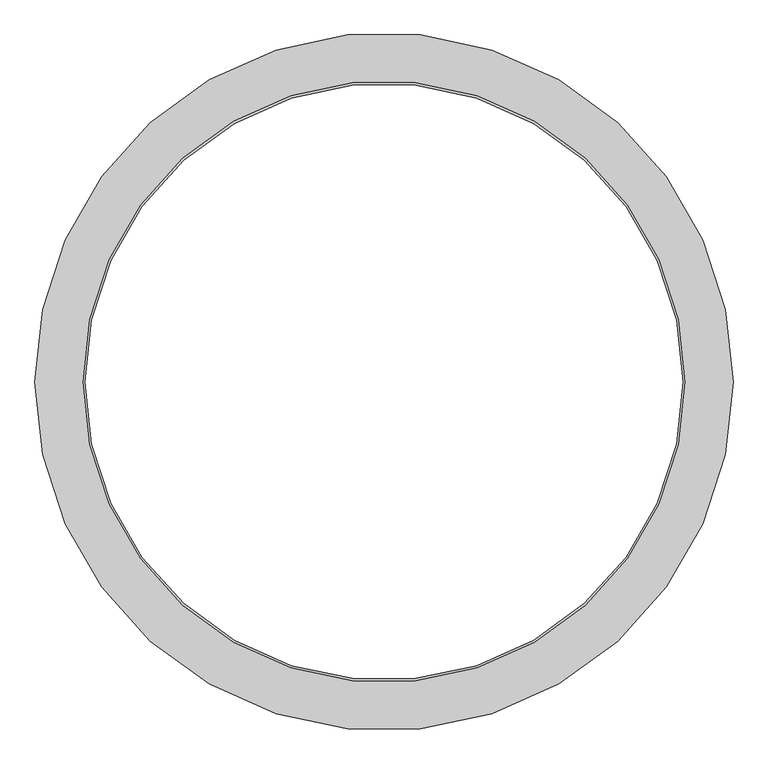
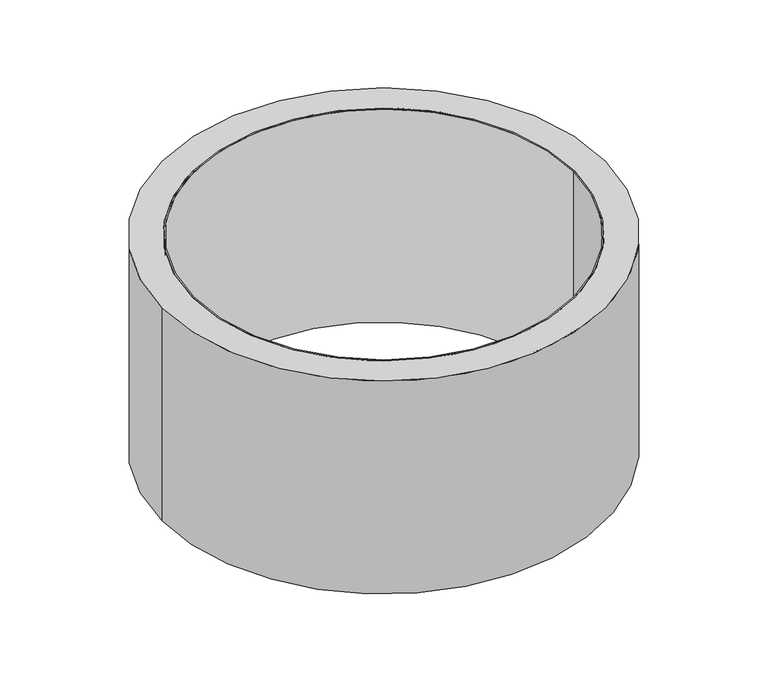
"""IFC4 building model written with IfcOpenShell, lengths in millimetres: proxy geometry."""

from ifc_helpers import new_model, si_unit, point, origin, origin_with_axes, origin_2d, place, context, project, spatial, circle_curve, trimmed, segment, composite_curve, outline, extrude, source, transform, mapped, element, save


def generic_models_36b41c2a(model_context):
    return source(origin(), model_context, "Body", "SweptSolid", [
        extrude(outline(composite_curve([segment(trimmed(circle_curve(origin_2d(), 500.0), [point((-500.0, 0.0))], [point((500.0, 0.0))], False, "CARTESIAN"), True, "CONTINUOUS"), segment(trimmed(circle_curve(origin_2d(), 500.0), [point((500.0, 0.0))], [point((-500.0, 0.0))], False, "CARTESIAN"), True, "CONTINUOUS")], self_intersect=False), holes=[composite_curve([segment(trimmed(circle_curve(origin_2d(), 496.0), [point((-496.0, 0.0))], [point((496.0, 0.0))], True, "CARTESIAN"), True, "CONTINUOUS"), segment(trimmed(circle_curve(origin_2d(), 496.0), [point((496.0, 0.0))], [point((-496.0, 0.0))], True, "CARTESIAN"), True, "CONTINUOUS")], self_intersect=False)]), origin_with_axes(), (0.0, 0.0, 1.0), 590.0),
        extrude(outline(composite_curve([segment(trimmed(circle_curve(origin_2d(), 580.0), [point((-580.0, 0.0))], [point((580.0, 0.0))], False, "CARTESIAN"), True, "CONTINUOUS"), segment(trimmed(circle_curve(origin_2d(), 580.0), [point((580.0, 0.0))], [point((-580.0, 0.0))], False, "CARTESIAN"), True, "CONTINUOUS")], self_intersect=False), holes=[composite_curve([segment(trimmed(circle_curve(origin_2d(), 500.0), [point((-500.0, 0.0))], [point((500.0, 0.0))], True, "CARTESIAN"), True, "CONTINUOUS"), segment(trimmed(circle_curve(origin_2d(), 500.0), [point((500.0, 0.0))], [point((-500.0, 0.0))], True, "CARTESIAN"), True, "CONTINUOUS")], self_intersect=False)]), origin_with_axes(), (0.0, 0.0, 1.0), 590.0),
    ])


if __name__ == "__main__":
    model = new_model("IFC4")
    model_context = context("Model", 3, world=origin())
    ifc_project = project(units=[si_unit("LENGTHUNIT", "METRE", prefix="MILLI")], contexts=[model_context])
    site = spatial("IfcSite", under=ifc_project)
    building = spatial("IfcBuilding", under=site)
    placement = place(None, origin())
    generic_models_shape = generic_models_36b41c2a(model_context)
    element("IfcBuildingElementProxy", 1, Name="Generic Models", at=placement, inside=building, context=model_context, shape_type="MappedRepresentation", body=[
        mapped(generic_models_shape, transform((0.0, 0.0, 0.0), x_axis=(1.0, 0.0, 0.0), y_axis=(0.0, 1.0, 0.0), z_axis=(0.0, 0.0, 1.0))),
    ])
    save(model, "model.ifc")
